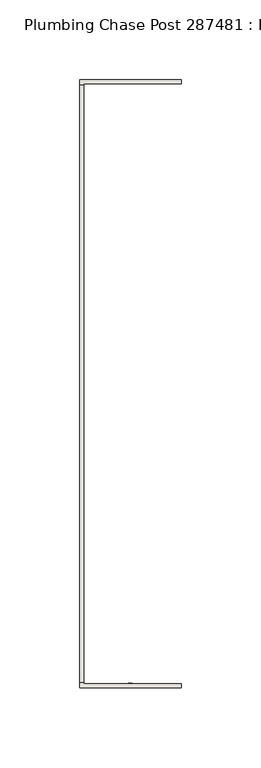
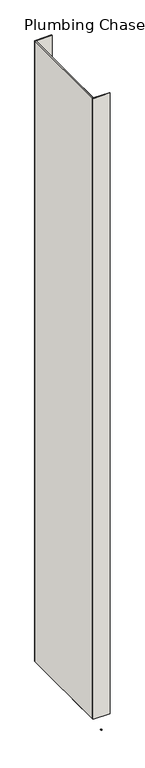
"""IFC4 building model written with IfcOpenShell, lengths in millimetres: wall geometry, Plumbing Chase Post 287481 : Plumbing Chase Post 287481."""

from ifc_helpers import new_model, si_unit, frame, origin, place, context, project, spatial, polyline, outline, extrude, source, transform, mapped, element, save


def plumbing_chase_post_287481_plumbing_chase_post_287481_223b7a4a(model_context):
    return source(origin(), model_context, "Body", "SweptSolid", [
        extrude(outline(polyline([(78033.282211, -49212.8113024), (78033.282211, -49215.3513024), (78030.742211, -49215.3513024), (78030.742211, -49212.8113024), (78033.282211, -49212.8113024)])), frame((0.0, 0.0, 4419.6), z_axis=(0.0, 0.0, 1.0), x_axis=(1.0, 0.0, 0.0)), (0.0, 0.0, 1.0), 2.54),
        extrude(outline(polyline([(77999.9955618, -49212.6519174), (77999.9955618, -48837.0624476), (78002.6620538, -48837.0624476), (78002.6620538, -49212.6519174), (77999.9955618, -49212.6519174)])), frame((0.0, 0.0, 4474.8958), z_axis=(0.0, 0.0, 1.0), x_axis=(1.0, 0.0, 0.0)), (0.0, 0.0, 1.0), 2481.1482254),
        extrude(outline(polyline([(77999.9955618, -49212.6519174), (77999.9955618, -48837.0624476), (78002.6620538, -48837.0624476), (78002.6620538, -49212.6519174), (77999.9955618, -49212.6519174)])), frame((0.0, 0.0, 4474.8958), z_axis=(0.0, 0.0, 1.0), x_axis=(1.0, 0.0, 0.0)), (0.0, 0.0, 1.0), 2481.1482254),
        extrude(outline(polyline([(77999.9955618, -49216.1059872), (77999.9955618, -49082.7559872), (78002.6620538, -49082.7559872), (78002.6620538, -49213.4394698), (78064.0040444, -49213.4394698), (78064.0040444, -49216.1059872), (77999.9955618, -49216.1059872)])), frame((0.0, 0.0, 4474.8958), z_axis=(0.0, 0.0, 1.0), x_axis=(1.0, 0.0, 0.0)), (0.0, 0.0, 1.0), 2481.1482254),
        extrude(outline(polyline([(77999.9955618, -49216.1059872), (77999.9955618, -49082.7559872), (78002.6620538, -49082.7559872), (78002.6620538, -49213.4394698), (78064.0040444, -49213.4394698), (78064.0040444, -49216.1059872), (77999.9955618, -49216.1059872)])), frame((0.0, 0.0, 4474.8958), z_axis=(0.0, 0.0, 1.0), x_axis=(1.0, 0.0, 0.0)), (0.0, 0.0, 1.0), 2481.1482254),
        extrude(outline(polyline([(78002.6620538, -48966.9584032), (77999.9955618, -48966.9584032), (77999.9955618, -48833.6084032), (78064.0040444, -48833.6084032), (78064.0040444, -48836.2748952), (78002.6620538, -48836.2501048), (78002.6620538, -48966.9584032)])), frame((0.0, 0.0, 4474.8958), z_axis=(0.0, 0.0, 1.0), x_axis=(1.0, 0.0, 0.0)), (0.0, 0.0, 1.0), 2481.1482254),
        extrude(outline(polyline([(78002.6620538, -48966.9584032), (77999.9955618, -48966.9584032), (77999.9955618, -48833.6084032), (78064.0040444, -48833.6084032), (78064.0040444, -48836.2748952), (78002.6620538, -48836.2501048), (78002.6620538, -48966.9584032)])), frame((0.0, 0.0, 4474.8958), z_axis=(0.0, 0.0, 1.0), x_axis=(1.0, 0.0, 0.0)), (0.0, 0.0, 1.0), 2481.1482254),
    ])


if __name__ == "__main__":
    model = new_model("IFC4")
    model_context = context("Model", 3, world=origin())
    ifc_project = project(units=[si_unit("LENGTHUNIT", "METRE", prefix="MILLI")], contexts=[model_context])
    site = spatial("IfcSite", under=ifc_project)
    building = spatial("IfcBuilding", under=site)
    placement = place(None, origin())
    plumbing_chase_post_287481_plumbing_chase_post_287481_shape = plumbing_chase_post_287481_plumbing_chase_post_287481_223b7a4a(model_context)
    element("IfcWall", 1, ObjectType="Plumbing Chase Post 287481 : Plumbing Chase Post 287481", at=placement, inside=building, context=model_context, shape_type="MappedRepresentation", body=[
        mapped(plumbing_chase_post_287481_plumbing_chase_post_287481_shape, transform((0.0, 0.0, 0.0), x_axis=(1.0, 0.0, 0.0), y_axis=(0.0, 1.0, 0.0), z_axis=(0.0, 0.0, 1.0))),
    ])
    save(model, "model.ifc")
